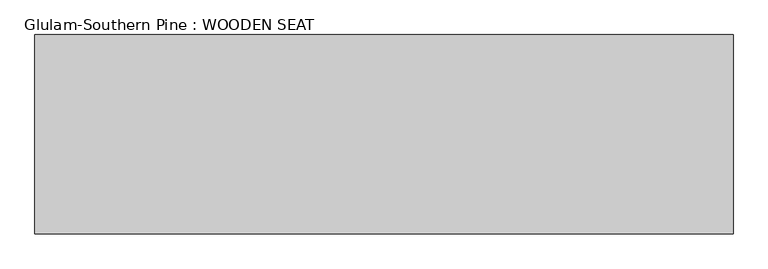
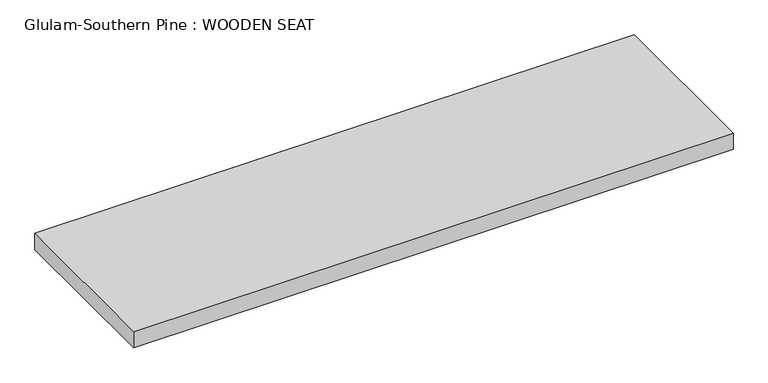
"""IFC4 building model written with IfcOpenShell, lengths in millimetres: beam geometry, Glulam-Southern Pine : WOODEN SEAT."""

from ifc_helpers import new_model, si_unit, frame, origin, place, context, project, spatial, polyline, outline, extrude, source, transform, mapped, element, save


def glulam_southern_pine_wooden_seat_652ba9da(model_context):
    return source(origin(), model_context, "Body", "SweptSolid", [
        extrude(outline(polyline([(900.0, 300.0), (900.0, -300.0), (-1200.0, -300.0), (-1200.0, 300.0), (900.0, 300.0)])), frame((0.0, 0.0, -30.0), z_axis=(0.0, 0.0, 1.0), x_axis=(1.0, 0.0, 0.0)), (0.0, 0.0, 1.0), 60.0),
    ])


if __name__ == "__main__":
    model = new_model("IFC4")
    model_context = context("Model", 3, world=origin())
    ifc_project = project(units=[si_unit("LENGTHUNIT", "METRE", prefix="MILLI")], contexts=[model_context])
    site = spatial("IfcSite", under=ifc_project)
    building = spatial("IfcBuilding", under=site)
    placement = place(None, origin())
    glulam_southern_pine_wooden_seat_shape = glulam_southern_pine_wooden_seat_652ba9da(model_context)
    element("IfcBeam", 1, ObjectType="Glulam-Southern Pine : WOODEN SEAT", at=placement, inside=building, context=model_context, shape_type="MappedRepresentation", body=[
        mapped(glulam_southern_pine_wooden_seat_shape, transform((0.0, 0.0, 0.0), x_axis=(1.0, 0.0, 0.0), y_axis=(0.0, 1.0, 0.0), z_axis=(0.0, 0.0, 1.0))),
    ])
    save(model, "model.ifc")
